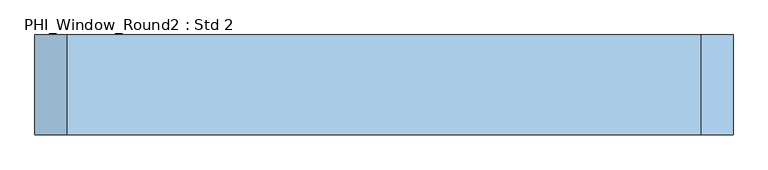
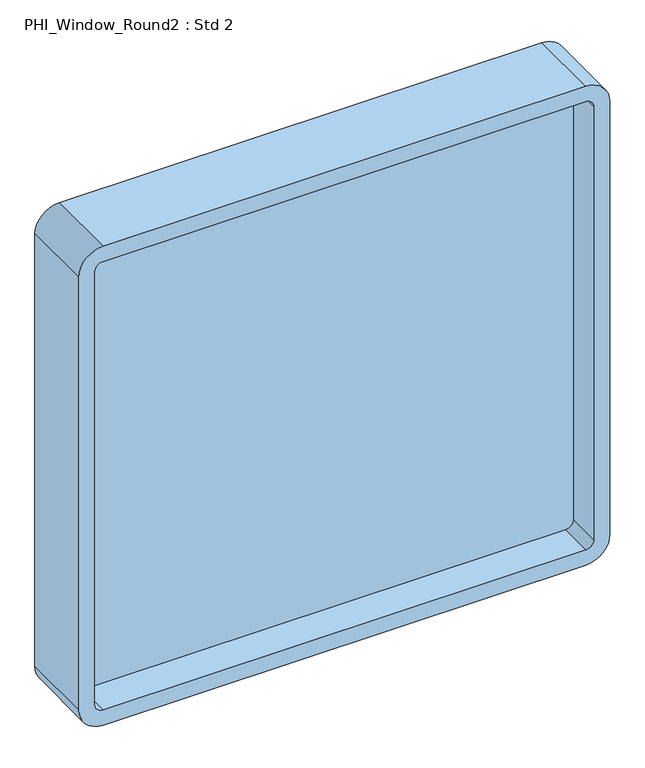
"""IFC4 building model written with IfcOpenShell, lengths in millimetres: window geometry, PHI_Window_Round2 : Std 2."""

from ifc_helpers import new_model, si_unit, point, frame, frame_2d, origin, place, context, project, spatial, polyline, circle_curve, trimmed, segment, composite_curve, outline, extrude, source, transform, mapped, element, save


def phi_window_round2_std_2_7542be50(model_context):
    return source(origin(), model_context, "Body", "SweptSolid", [
        extrude(outline(composite_curve([segment(polyline([(1915.0, 476.7517491), (1915.0, -476.7517491)]), True, "CONTINUOUS"), segment(trimmed(circle_curve(frame_2d((1867.0, -476.7517491)), 48.0), [point((1915.0, -476.7517491))], [point((1867.0, -524.7517491))], False, "CARTESIAN"), True, "CONTINUOUS"), segment(polyline([(1867.0, -524.7517491), (963.0, -524.7517491)]), True, "CONTINUOUS"), segment(trimmed(circle_curve(frame_2d((963.0, -476.7517491)), 48.0), [point((963.0, -524.7517491))], [point((915.0, -476.7517491))], False, "CARTESIAN"), True, "CONTINUOUS"), segment(polyline([(915.0, -476.7517491), (915.0, 476.7517491)]), True, "CONTINUOUS"), segment(trimmed(circle_curve(frame_2d((963.0, 476.7517491)), 48.0), [point((915.0, 476.7517491))], [point((963.0, 524.7517491))], False, "CARTESIAN"), True, "CONTINUOUS"), segment(polyline([(963.0, 524.7517491), (1867.0, 524.7517491)]), True, "CONTINUOUS"), segment(trimmed(circle_curve(frame_2d((1867.0, 476.7517491)), 48.0), [point((1867.0, 524.7517491))], [point((1915.0, 476.7517491))], False, "CARTESIAN"), True, "CONTINUOUS")], self_intersect=False), holes=[composite_curve([segment(polyline([(963.0, -492.7517491), (1867.0, -492.7517491)]), True, "CONTINUOUS"), segment(trimmed(circle_curve(frame_2d((1867.0, -476.7517491)), 16.0), [point((1867.0, -492.7517491))], [point((1883.0, -476.7517491))], True, "CARTESIAN"), True, "CONTINUOUS"), segment(polyline([(1883.0, -476.7517491), (1883.0, 476.7517491)]), True, "CONTINUOUS"), segment(trimmed(circle_curve(frame_2d((1867.0, 476.7517491)), 16.0), [point((1883.0, 476.7517491))], [point((1867.0, 492.7517491))], True, "CARTESIAN"), True, "CONTINUOUS"), segment(polyline([(1867.0, 492.7517491), (963.0, 492.7517491)]), True, "CONTINUOUS"), segment(trimmed(circle_curve(frame_2d((963.0, 476.7517491)), 16.0), [point((963.0, 492.7517491))], [point((947.0, 476.7517491))], True, "CARTESIAN"), True, "CONTINUOUS"), segment(polyline([(947.0, 476.7517491), (947.0, -476.7517491)]), True, "CONTINUOUS"), segment(trimmed(circle_curve(frame_2d((963.0, -476.7517491)), 16.0), [point((947.0, -476.7517491))], [point((963.0, -492.7517491))], True, "CARTESIAN"), True, "CONTINUOUS")], self_intersect=False)]), frame((0.0, -62.0, 0.0), z_axis=(0.0, 1.0, 0.0), x_axis=(0.0, 0.0, 1.0)), (0.0, 0.0, 1.0), 150.0),
        extrude(outline(polyline([(-505.7517491, 19.0), (505.7517491, 19.0), (505.7517491, 7.0), (-505.7517491, 7.0), (-505.7517491, 19.0)])), frame((0.0, 0.0, 934.0), z_axis=(0.0, 0.0, 1.0), x_axis=(1.0, 0.0, 0.0)), (0.0, 0.0, 1.0), 962.0),
    ])


if __name__ == "__main__":
    model = new_model("IFC4")
    model_context = context("Model", 3, world=origin())
    ifc_project = project(units=[si_unit("LENGTHUNIT", "METRE", prefix="MILLI")], contexts=[model_context])
    site = spatial("IfcSite", under=ifc_project)
    building = spatial("IfcBuilding", under=site)
    placement = place(None, origin())
    phi_window_round2_std_2_shape = phi_window_round2_std_2_7542be50(model_context)
    element("IfcWindow", 1, ObjectType="PHI_Window_Round2 : Std 2", at=placement, inside=building, context=model_context, shape_type="MappedRepresentation", body=[
        mapped(phi_window_round2_std_2_shape, transform((0.0, 0.0, 0.0), x_axis=(1.0, 0.0, 0.0), y_axis=(0.0, 1.0, 0.0), z_axis=(0.0, 0.0, 1.0))),
    ])
    save(model, "model.ifc")
